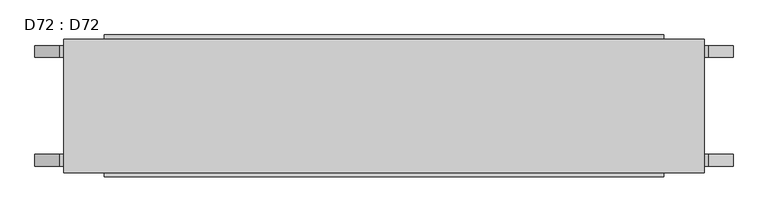
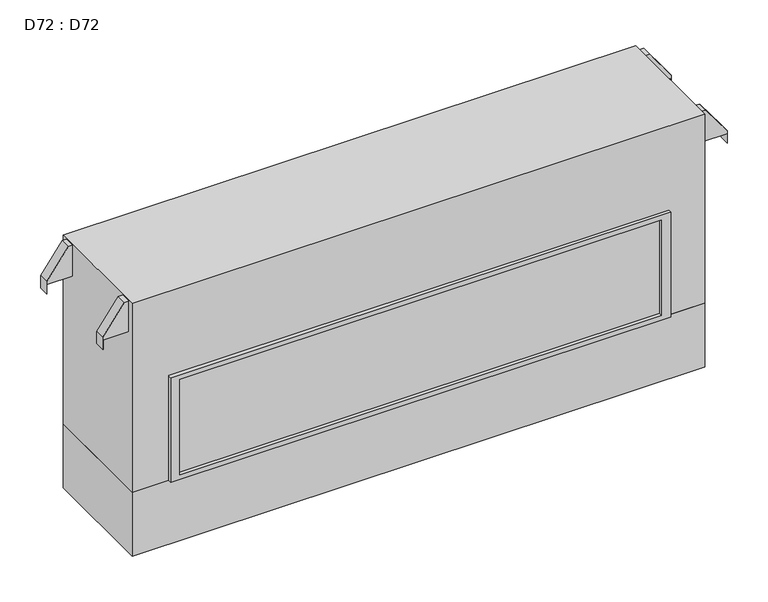
"""IFC4 building model written with IfcOpenShell, lengths in millimetres: proxy geometry, D72 : D72."""

from ifc_helpers import new_model, si_unit, frame, origin, origin_with_axes, place, context, project, spatial, polyline, outline, extrude, source, transform, mapped, element, save


def d72_d72_3bbeb9f6(model_context):
    return source(origin(), model_context, "Body", "SweptSolid", [
        extrude(outline(polyline([(911.8600077, -1116.0125), (1038.8600077, -1116.0125), (1038.8600077, -1132.8019363), (923.725043, -1217.3840267), (873.7600292, -1217.3840267), (873.7600292, -1215.8600552), (911.8600077, -1215.8600552), (911.8600077, -1116.0125)])), frame((0.0, 169.1535326, 0.0), z_axis=(0.0, 1.0, 0.0), x_axis=(0.0, 0.0, 1.0)), (0.0, 0.0, 1.0), 40.3964674),
        extrude(outline(polyline([(911.8600077, -1116.0125), (1038.8600077, -1116.0125), (1038.8600077, -1132.8019363), (923.725043, -1217.3840267), (873.7600292, -1217.3840267), (873.7600292, -1215.8600552), (911.8600077, -1215.8600552), (911.8600077, -1116.0125)])), frame((0.0, -209.55, 0.0), z_axis=(0.0, 1.0, 0.0), x_axis=(0.0, 0.0, 1.0)), (0.0, 0.0, 1.0), 40.3964674),
        extrude(outline(polyline([(911.8600077, 1116.0125), (911.8600077, 1215.8600552), (873.7600292, 1215.8600552), (873.7600292, 1217.3840267), (923.725043, 1217.3840267), (1038.8600077, 1132.8019363), (1038.8600077, 1116.0125), (911.8600077, 1116.0125)])), frame((0.0, 169.1535326, 0.0), z_axis=(0.0, 1.0, 0.0), x_axis=(0.0, 0.0, 1.0)), (0.0, 0.0, 1.0), 40.3964674),
        extrude(outline(polyline([(911.8600077, 1116.0125), (911.8600077, 1215.8600552), (873.7600292, 1215.8600552), (873.7600292, 1217.3840267), (923.725043, 1217.3840267), (1038.8600077, 1132.8019363), (1038.8600077, 1116.0125), (911.8600077, 1116.0125)])), frame((0.0, -209.55, 0.0), z_axis=(0.0, 1.0, 0.0), x_axis=(0.0, 0.0, 1.0)), (0.0, 0.0, 1.0), 40.3964674),
        extrude(outline(polyline([(938.2125, 233.3625), (938.2125, -233.3625), (-938.2125, -233.3625), (-938.2125, 233.3625), (938.2125, 233.3625)])), frame((0.0, 0.0, 282.575), z_axis=(0.0, 0.0, 1.0), x_axis=(1.0, 0.0, 0.0)), (0.0, 0.0, 1.0), 393.7),
        extrude(outline(polyline([(1041.4, 1116.0125), (1041.4, -1116.0125), (263.525, -1116.0125), (263.525, -974.725), (695.325, -974.725), (695.325, 974.725), (263.525, 974.725), (263.525, 1116.0125), (1041.4, 1116.0125)])), frame((0.0, -233.3625, 0.0), z_axis=(0.0, 1.0, 0.0), x_axis=(0.0, 0.0, 1.0)), (0.0, 0.0, 1.0), 466.725),
        extrude(outline(polyline([(695.325, 974.725), (695.325, -974.725), (263.525, -974.725), (263.525, 974.725), (695.325, 974.725)]), holes=[polyline([(676.275, -938.2125), (676.275, 938.2125), (282.575, 938.2125), (282.575, -938.2125), (676.275, -938.2125)])]), frame((0.0, -247.65, 0.0), z_axis=(0.0, 1.0, 0.0), x_axis=(0.0, 0.0, 1.0)), (0.0, 0.0, 1.0), 495.3),
        extrude(outline(polyline([(1116.0125, 233.3625), (1116.0125, -233.3625), (-1116.0125, -233.3625), (-1116.0125, 233.3625), (1116.0125, 233.3625)])), origin_with_axes(), (0.0, 0.0, 1.0), 263.525),
    ])


if __name__ == "__main__":
    model = new_model("IFC4")
    model_context = context("Model", 3, world=origin())
    ifc_project = project(units=[si_unit("LENGTHUNIT", "METRE", prefix="MILLI")], contexts=[model_context])
    site = spatial("IfcSite", under=ifc_project)
    building = spatial("IfcBuilding", under=site)
    placement = place(None, origin())
    d72_d72_shape = d72_d72_3bbeb9f6(model_context)
    element("IfcBuildingElementProxy", 1, Name="D72 : D72", ObjectType="D72 : D72", at=placement, inside=building, context=model_context, shape_type="MappedRepresentation", body=[
        mapped(d72_d72_shape, transform((0.0, 0.0, 0.0), x_axis=(1.0, 0.0, 0.0), y_axis=(0.0, 1.0, 0.0), z_axis=(0.0, 0.0, 1.0))),
    ])
    save(model, "model.ifc")
